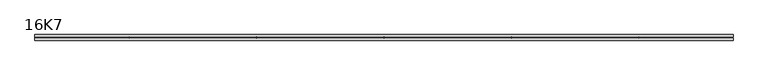
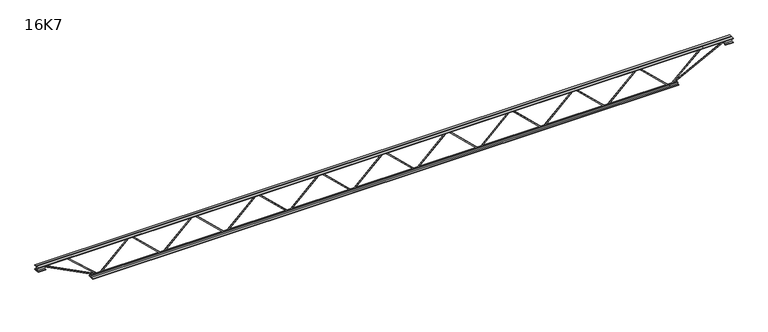
"""IFC4 building model written with IfcOpenShell, lengths in millimetres: beam geometry, 16K7."""

from ifc_helpers import new_model, si_unit, frame, origin, place, context, project, spatial, polyline, outline, extrude, source, transform, mapped, element, save


def beam_16k7_cfaf2fcc(model_context):
    return source(origin(), model_context, "Body", "SweptSolid", [
        extrude(outline(polyline([(-191.9, 2076.6666667), (-201.4, 2076.6666667), (-201.4, 2081.7550125), (191.9, 2490.7383458), (191.9, 2493.2616542), (-201.4, 2902.2449875), (-201.4, 2907.3333333), (-191.9, 2907.3333333), (-191.9, 2906.0716792), (201.4, 2497.0883458), (201.4, 2486.9116542), (-191.9, 2077.9283208), (-191.9, 2076.6666667)])), frame((0.0, -4.75, 0.0), z_axis=(0.0, 1.0, 0.0), x_axis=(0.0, 0.0, 1.0)), (0.0, 0.0, 1.0), 9.5),
        extrude(outline(polyline([(-191.9, 1246.0), (-201.4, 1246.0), (-201.4, 1251.0883458), (191.9, 1660.0716792), (191.9, 1662.5949875), (-201.4, 2071.5783208), (-201.4, 2076.6666667), (-191.9, 2076.6666667), (-191.9, 2075.4050125), (201.4, 1666.4216792), (201.4, 1656.2449875), (-191.9, 1247.2616542), (-191.9, 1246.0)])), frame((0.0, -4.75, 0.0), z_axis=(0.0, 1.0, 0.0), x_axis=(0.0, 0.0, 1.0)), (0.0, 0.0, 1.0), 9.5),
        extrude(outline(polyline([(-191.9, 415.3333333), (-201.4, 415.3333333), (-201.4, 420.4216792), (191.9, 829.4050125), (191.9, 831.9283208), (-201.4, 1240.9116542), (-201.4, 1246.0), (-191.9, 1246.0), (-191.9, 1244.7383458), (201.4, 835.7550125), (201.4, 825.5783208), (-191.9, 416.5949875), (-191.9, 415.3333333)])), frame((0.0, -4.75, 0.0), z_axis=(0.0, 1.0, 0.0), x_axis=(0.0, 0.0, 1.0)), (0.0, 0.0, 1.0), 9.5),
        extrude(outline(polyline([(-191.9, -415.3333333), (-201.4, -415.3333333), (-201.4, -410.2449875), (191.9, -1.2616542), (191.9, 1.2616542), (-201.4, 410.2449875), (-201.4, 415.3333333), (-191.9, 415.3333333), (-191.9, 414.0716792), (201.4, 5.0883458), (201.4, -5.0883458), (-191.9, -414.0716792), (-191.9, -415.3333333)])), frame((0.0, -4.75, 0.0), z_axis=(0.0, 1.0, 0.0), x_axis=(0.0, 0.0, 1.0)), (0.0, 0.0, 1.0), 9.5),
        extrude(outline(polyline([(-191.9, -1246.0), (-201.4, -1246.0), (-201.4, -1240.9116542), (191.9, -831.9283208), (191.9, -829.4050125), (-201.4, -420.4216792), (-201.4, -415.3333333), (-191.9, -415.3333333), (-191.9, -416.5949875), (201.4, -825.5783208), (201.4, -835.7550125), (-191.9, -1244.7383458), (-191.9, -1246.0)])), frame((0.0, -4.75, 0.0), z_axis=(0.0, 1.0, 0.0), x_axis=(0.0, 0.0, 1.0)), (0.0, 0.0, 1.0), 9.5),
        extrude(outline(polyline([(-191.9, -2076.6666667), (-201.4, -2076.6666667), (-201.4, -2071.5783208), (191.9, -1662.5949875), (191.9, -1660.0716792), (-201.4, -1251.0883458), (-201.4, -1246.0), (-191.9, -1246.0), (-191.9, -1247.2616542), (201.4, -1656.2449875), (201.4, -1666.4216792), (-191.9, -2075.4050125), (-191.9, -2076.6666667)])), frame((0.0, -4.75, 0.0), z_axis=(0.0, 1.0, 0.0), x_axis=(0.0, 0.0, 1.0)), (0.0, 0.0, 1.0), 9.5),
        extrude(outline(polyline([(-191.9, -2907.3333333), (-201.4, -2907.3333333), (-201.4, -2902.2449875), (191.9, -2493.2616542), (191.9, -2490.7383458), (-201.4, -2081.7550125), (-201.4, -2076.6666667), (-191.9, -2076.6666667), (-191.9, -2077.9283208), (201.4, -2486.9116542), (201.4, -2497.0883458), (-191.9, -2906.0716792), (-191.9, -2907.3333333)])), frame((0.0, -4.75, 0.0), z_axis=(0.0, 1.0, 0.0), x_axis=(0.0, 0.0, 1.0)), (0.0, 0.0, 1.0), 9.5),
        extrude(outline(polyline([(-191.9, 2907.3333333), (-201.4, 2907.3333333), (-201.4, 2912.4216792), (191.9, 3321.4050125), (191.9, 3323.9283208), (-201.4, 3732.9116542), (-201.4, 3738.0), (-191.9, 3738.0), (-191.9, 3736.7383458), (201.4, 3327.7550125), (201.4, 3317.5783208), (-191.9, 2908.5949875), (-191.9, 2907.3333333)])), frame((0.0, -4.75, 0.0), z_axis=(0.0, 1.0, 0.0), x_axis=(0.0, 0.0, 1.0)), (0.0, 0.0, 1.0), 9.5),
        extrude(outline(polyline([(-191.9, -3738.0), (-201.4, -3738.0), (-201.4, -3732.9116542), (191.9, -3323.9283208), (191.9, -3321.4050125), (-201.4, -2912.4216792), (-201.4, -2907.3333333), (-191.9, -2907.3333333), (-191.9, -2908.5949875), (201.4, -3317.5783208), (201.4, -3327.7550125), (-191.9, -3736.7383458), (-191.9, -3738.0)])), frame((0.0, -4.75, 0.0), z_axis=(0.0, 1.0, 0.0), x_axis=(0.0, 0.0, 1.0)), (0.0, 0.0, 1.0), 9.5),
        extrude(outline(polyline([(4.75, 203.0), (36.75, 203.0), (36.75, 196.5), (11.25, 196.5), (11.25, 171.0), (4.75, 171.0), (4.75, 203.0)])), frame((-4550.0, 0.0, 0.0), z_axis=(1.0, 0.0, 0.0), x_axis=(0.0, 1.0, 0.0)), (0.0, 0.0, 1.0), 9100.0),
        extrude(outline(polyline([(-4.75, 203.0), (-4.75, 171.0), (-11.25, 171.0), (-11.25, 196.5), (-36.75, 196.5), (-36.75, 203.0), (-4.75, 203.0)])), frame((-4550.0, 0.0, 0.0), z_axis=(1.0, 0.0, 0.0), x_axis=(0.0, 1.0, 0.0)), (0.0, 0.0, 1.0), 9100.0),
        extrude(outline(polyline([(-4.75, 139.5), (-36.75, 139.5), (-36.75, 146.0), (-11.25, 146.0), (-11.25, 171.0), (-4.75, 171.0), (-4.75, 139.5)])), frame((-4550.0, 0.0, 0.0), z_axis=(1.0, 0.0, 0.0), x_axis=(0.0, 1.0, 0.0)), (0.0, 0.0, 1.0), 100.0),
        extrude(outline(polyline([(36.75, 139.5), (4.75, 139.5), (4.75, 171.0), (11.25, 171.0), (11.25, 146.0), (36.75, 146.0), (36.75, 139.5)])), frame((-4550.0, 0.0, 0.0), z_axis=(1.0, 0.0, 0.0), x_axis=(0.0, 1.0, 0.0)), (0.0, 0.0, 1.0), 100.0),
        extrude(outline(polyline([(4.75, 139.5), (4.75, 171.0), (11.25, 171.0), (11.25, 146.0), (36.75, 146.0), (36.75, 139.5), (4.75, 139.5)])), frame((4450.0, 0.0, 0.0), z_axis=(1.0, 0.0, 0.0), x_axis=(0.0, 1.0, 0.0)), (0.0, 0.0, 1.0), 100.0),
        extrude(outline(polyline([(-4.75, 139.5), (-36.75, 139.5), (-36.75, 146.0), (-11.25, 146.0), (-11.25, 171.0), (-4.75, 171.0), (-4.75, 139.5)])), frame((4450.0, 0.0, 0.0), z_axis=(1.0, 0.0, 0.0), x_axis=(0.0, 1.0, 0.0)), (0.0, 0.0, 1.0), 100.0),
        extrude(outline(polyline([(4.75, -203.0), (4.75, -171.0), (11.25, -171.0), (11.25, -196.5), (36.75, -196.5), (36.75, -203.0), (4.75, -203.0)])), frame((-3838.0, 0.0, 0.0), z_axis=(1.0, 0.0, 0.0), x_axis=(0.0, 1.0, 0.0)), (0.0, 0.0, 1.0), 7676.0),
        extrude(outline(polyline([(-4.75, -203.0), (-36.75, -203.0), (-36.75, -196.5), (-11.25, -196.5), (-11.25, -171.0), (-4.75, -171.0), (-4.75, -203.0)])), frame((-3838.0, 0.0, 0.0), z_axis=(1.0, 0.0, 0.0), x_axis=(0.0, 1.0, 0.0)), (0.0, 0.0, 1.0), 7676.0),
        extrude(outline(polyline([(-200.8705467, -3740.1793315), (-192.4294533, -3735.8206685), (175.75, -4448.8460208), (175.75, -4550.0), (166.25, -4550.0), (166.25, -4451.1539792), (-200.8705467, -3740.1793315)])), frame((0.0, -4.75, 0.0), z_axis=(0.0, 1.0, 0.0), x_axis=(0.0, 0.0, 1.0)), (0.0, 0.0, 1.0), 9.5),
        extrude(outline(polyline([(188.7, -4173.2904762), (179.2, -4173.2904762), (179.2, -4162.4141787), (-200.1795316, -3741.1788216), (-193.1204684, -3734.8211784), (188.7, -4158.7667737), (188.7, -4173.2904762)])), frame((0.0, -4.75, 0.0), z_axis=(0.0, 1.0, 0.0), x_axis=(0.0, 0.0, 1.0)), (0.0, 0.0, 1.0), 9.5),
        extrude(outline(polyline([(0.0, -9.5), (0.0, 0.0), (801.3179909, 0.0), (801.3179909, -9.5), (0.0, -9.5)])), frame((4452.1793315, -4.75, 166.7794533), z_axis=(-0.45880662132449535, 0.0, 0.8885361468329812), x_axis=(-0.8885361468329812, 0.0, -0.45880662132449535)), (0.0, 0.0, 1.0), 9.5),
        extrude(outline(polyline([(0.0, -9.5), (0.0, 0.0), (582.6266949, 0.0), (582.6266949, -9.5), (0.0, -9.5)])), frame((4171.054089, -4.75, 193.145567), z_axis=(-0.6750463091517327, 0.0, 0.7377753591037204), x_axis=(-0.7377753591037204, 0.0, -0.6750463091517327)), (0.0, 0.0, 1.0), 9.5),
    ])


if __name__ == "__main__":
    model = new_model("IFC4")
    model_context = context("Model", 3, world=origin())
    ifc_project = project(units=[si_unit("LENGTHUNIT", "METRE", prefix="MILLI")], contexts=[model_context])
    site = spatial("IfcSite", under=ifc_project)
    building = spatial("IfcBuilding", under=site)
    placement = place(None, origin())
    beam_16k7_shape = beam_16k7_cfaf2fcc(model_context)
    element("IfcBeam", 1, ObjectType="16K7", at=placement, inside=building, context=model_context, shape_type="MappedRepresentation", body=[
        mapped(beam_16k7_shape, transform((0.0, 0.0, 0.0), x_axis=(1.0, 0.0, 0.0), y_axis=(0.0, 1.0, 0.0), z_axis=(0.0, 0.0, 1.0))),
    ])
    save(model, "model.ifc")
